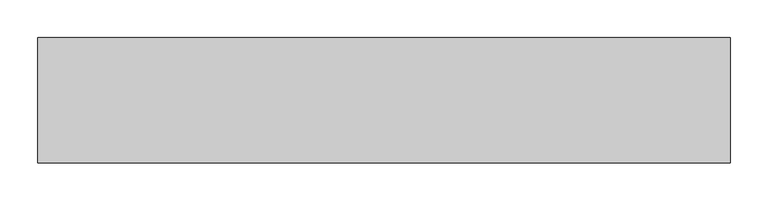
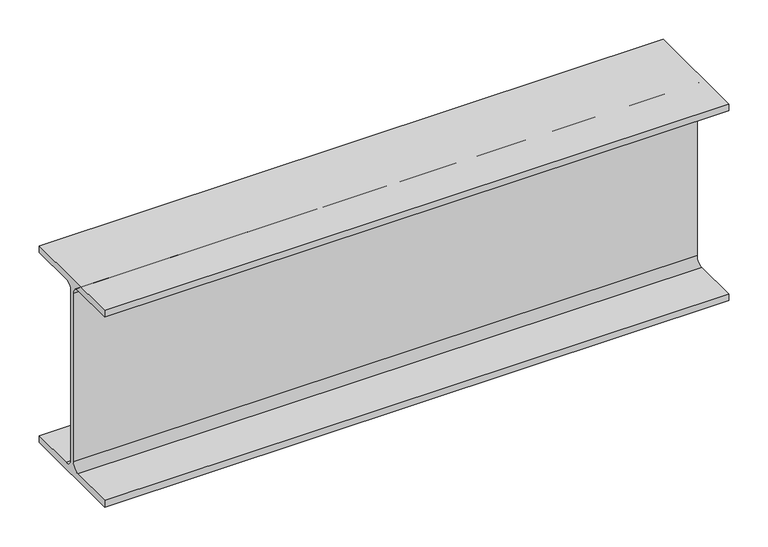
"""IFC4 building model written with IfcOpenShell, lengths in millimetres: beam geometry."""

import ifcopenshell
import ifcopenshell.guid

model = None  # the IFC model being written
_history = None  # IfcOwnerHistory: only IFC2X3 demands one
_inside = {}  # id of a spatial element -> (the spatial element, [elements in it])
_under = {}  # id of a project, library or spatial element -> (it, [spatial elements below it])
_declared = {}  # id of a project -> (the project, [libraries it declares])
_typed = {}  # id of a type object -> (the type object, [elements of that type])
_made_of = {}  # id of a material, layer set ... -> (it, [elements and type objects made of it])


def new_model(schema):
    """Start an empty IFC model of exactly this schema.

    Asked for "IFC4X3", IfcOpenShell would pick the latest addendum, in which some entities
    have other attributes; the version numbers below select the first issue.
    IFC2X3 requires an IfcOwnerHistory on every rooted entity: one is made here for all.
    """
    global model, _history
    if schema == "IFC4X3":
        model = ifcopenshell.file(schema_version=(4, 3, 0, 0))
    else:
        model = ifcopenshell.file(schema=schema)
    _inside.clear()
    _under.clear()
    _declared.clear()
    _typed.clear()
    _made_of.clear()
    _history = None
    if model.schema == "IFC2X3":
        org = make("IfcOrganization", Name="unknown")
        user = make(
            "IfcPersonAndOrganization",
            ThePerson=make("IfcPerson", FamilyName="unknown"),
            TheOrganization=org,
        )
        app = make(
            "IfcApplication",
            ApplicationDeveloper=org,
            Version="unknown",
            ApplicationFullName="unknown",
            ApplicationIdentifier="unknown",
        )
        _history = make(
            "IfcOwnerHistory",
            OwningUser=user,
            OwningApplication=app,
            ChangeAction="ADDED",
            CreationDate=0,
        )
    return model


def make(cls, **values):
    """One entity of the class cls with the attributes given. An attribute that is None is left unset."""
    return model.create_entity(
        cls, **{name: value for name, value in values.items() if value is not None}
    )


def rooted(cls, **values):
    """An entity with a GlobalId (a new one), such as an element, a storey or a relation."""
    return make(cls, GlobalId=ifcopenshell.guid.new(), OwnerHistory=_history, **values)


def si_unit(unit_type, name, prefix=None):
    """IfcSIUnit, for example si_unit("LENGTHUNIT", "METRE", prefix="MILLI")."""
    return make("IfcSIUnit", UnitType=unit_type, Prefix=prefix, Name=name)


def assignment(units):
    """IfcUnitAssignment: the units of a project."""
    return None if units is None else make("IfcUnitAssignment", Units=units)


def point(xyz):
    """IfcCartesianPoint."""
    return None if xyz is None else make("IfcCartesianPoint", Coordinates=xyz)


def direction(xyz):
    """IfcDirection."""
    return None if xyz is None else make("IfcDirection", DirectionRatios=xyz)


def frame(location, z_axis=None, x_axis=None):
    """IfcAxis2Placement3D, a coordinate frame: its origin and axes. An axis left out is left unset."""
    return make(
        "IfcAxis2Placement3D",
        Location=point(location),
        Axis=direction(z_axis),
        RefDirection=direction(x_axis),
    )


def frame_2d(location, x_axis=None):
    """IfcAxis2Placement2D, a coordinate frame in the plane: its origin and x axis."""
    return make(
        "IfcAxis2Placement2D", Location=point(location), RefDirection=direction(x_axis)
    )


def origin():
    """The frame at (0, 0, 0) with its axes left unset."""
    return frame((0.0, 0.0, 0.0))


def place(relative_to, where):
    """IfcLocalPlacement: puts the frame where relative to a parent placement (None: the world)."""
    return make(
        "IfcLocalPlacement", PlacementRelTo=relative_to, RelativePlacement=where
    )


def context(
    kind, dimensions, precision=None, world=None, true_north=None, identifier=None
):
    """IfcGeometricRepresentationContext, for example the 3D "Model" context."""
    return make(
        "IfcGeometricRepresentationContext",
        ContextIdentifier=identifier,
        ContextType=kind,
        CoordinateSpaceDimension=dimensions,
        Precision=precision,
        WorldCoordinateSystem=world,
        TrueNorth=true_north,
    )


def project(units=None, contexts=None):
    """IfcProject with its units and contexts."""
    return rooted(
        "IfcProject",
        Name="project",
        RepresentationContexts=contexts,
        UnitsInContext=assignment(units),
    )


def spatial(cls, under=None, at=None, **own):
    """A site, building, storey or space (cls), placed at a placement, below another one or the project."""
    s = rooted(cls, ObjectPlacement=at, **own)
    if under is not None:
        _under.setdefault(under.id(), (under, []))[1].append(s)
    return s


def polyline(points):
    """IfcPolyline through the points."""
    return make("IfcPolyline", Points=[point(p) for p in points])


def circle_curve(where, radius):
    """IfcCircle in the frame where."""
    return make("IfcCircle", Position=where, Radius=radius)


def trimmed(basis, trim1, trim2, sense, master):
    """IfcTrimmedCurve: the piece of a basis curve between two trims."""
    return make(
        "IfcTrimmedCurve",
        BasisCurve=basis,
        Trim1=trim1,
        Trim2=trim2,
        SenseAgreement=sense,
        MasterRepresentation=master,
    )


def segment(curve, same_sense, transition):
    """IfcCompositeCurveSegment."""
    return make(
        "IfcCompositeCurveSegment",
        Transition=transition,
        SameSense=same_sense,
        ParentCurve=curve,
    )


def composite_curve(segments, self_intersect=None):
    """IfcCompositeCurve: segments joined end to end."""
    return make("IfcCompositeCurve", Segments=segments, SelfIntersect=self_intersect)


def outline(outer, holes=None, kind="AREA"):
    """IfcArbitraryClosedProfileDef: a profile drawn as a closed curve; with holes, ...WithVoids."""
    if holes is None:
        return make("IfcArbitraryClosedProfileDef", ProfileType=kind, OuterCurve=outer)
    return make(
        "IfcArbitraryProfileDefWithVoids",
        ProfileType=kind,
        OuterCurve=outer,
        InnerCurves=holes,
    )


def extrude(swept, where, along, depth):
    """IfcExtrudedAreaSolid: the profile swept, set in the frame where, extruded along a direction by depth."""
    return make(
        "IfcExtrudedAreaSolid",
        SweptArea=swept,
        Position=where,
        ExtrudedDirection=direction(along),
        Depth=depth,
    )


def shape(context_of_items, identifier, shape_type, items):
    """IfcShapeRepresentation: the items that make up one representation, for example the "Body"."""
    return make(
        "IfcShapeRepresentation",
        ContextOfItems=context_of_items,
        RepresentationIdentifier=identifier,
        RepresentationType=shape_type,
        Items=items,
    )


def source(mapping_origin, context_of_items, identifier, shape_type, items):
    """IfcRepresentationMap: a shape defined once, which mapped items show again and again."""
    return make(
        "IfcRepresentationMap",
        MappingOrigin=mapping_origin,
        MappedRepresentation=shape(context_of_items, identifier, shape_type, items),
    )


def transform(
    local_origin,
    x_axis=None,
    y_axis=None,
    z_axis=None,
    scale=None,
    scale2=None,
    scale3=None,
    uniform=True,
):
    """IfcCartesianTransformationOperator3D, or its non-uniform kind. x_axis, y_axis, z_axis: its Axis1, 2, 3."""
    if uniform:
        return make(
            "IfcCartesianTransformationOperator3D",
            Axis1=direction(x_axis),
            Axis2=direction(y_axis),
            LocalOrigin=point(local_origin),
            Scale=scale,
            Axis3=direction(z_axis),
        )
    return make(
        "IfcCartesianTransformationOperator3DnonUniform",
        Axis1=direction(x_axis),
        Axis2=direction(y_axis),
        LocalOrigin=point(local_origin),
        Scale=scale,
        Axis3=direction(z_axis),
        Scale2=scale2,
        Scale3=scale3,
    )


def mapped(mapping_source, mapping_target):
    """IfcMappedItem: shows the shape of a source again, moved by a transform."""
    return make(
        "IfcMappedItem", MappingSource=mapping_source, MappingTarget=mapping_target
    )


def made_of(thing, what):
    """Note that an element or type object is made of a material, layer set ...; save() writes the relation."""
    if what is not None:
        _made_of.setdefault(what.id(), (what, []))[1].append(thing)
    return thing


def element(
    cls,
    number,
    at=None,
    inside=None,
    cuts=None,
    type_object=None,
    material=None,
    context=None,
    identifier="Body",
    shape_type=None,
    held_by="IfcProductDefinitionShape",
    body=None,
    shapes=None,
    **own,
):
    """One element of the class cls, such as IfcWall. Its Tag is "e" and its number.

    at: its placement. inside: the storey or other place that contains it. cuts: it is an
    opening in that element (IfcRelVoidsElement). A single representation is given by context,
    identifier, shape_type and body (its items); several are given by shapes. held_by: the class
    of the entity that holds the representations. save() writes the other relations.
    """
    e = rooted(cls, Tag="e%d" % number, ObjectPlacement=at, **own)
    if body is not None:
        shapes = [shape(context, identifier, shape_type, body)]
    if shapes is not None:
        e.Representation = make(held_by, Representations=shapes)
    if inside is not None:
        _inside.setdefault(inside.id(), (inside, []))[1].append(e)
    if cuts is not None:
        rooted(
            "IfcRelVoidsElement", RelatingBuildingElement=cuts, RelatedOpeningElement=e
        )
    if type_object is not None:
        _typed.setdefault(type_object.id(), (type_object, []))[1].append(e)
    return made_of(e, material)


def aggregate(whole, parts):
    """IfcRelAggregates: a whole, such as a stair, and the parts it consists of."""
    return rooted("IfcRelAggregates", RelatingObject=whole, RelatedObjects=parts)


def save(model, path):
    """Write the relations noted so far, then the file.

    IfcRelAggregates (storeys below a building ...), IfcRelContainedInSpatialStructure (elements
    in a storey), IfcRelDefinesByType, IfcRelAssociatesMaterial and IfcRelDeclares: one each for
    every whole, place, type object, material and project.
    """
    for whole, parts in _under.values():
        aggregate(whole, parts)
    for where, things in _inside.values():
        rooted(
            "IfcRelContainedInSpatialStructure",
            RelatedElements=things,
            RelatingStructure=where,
        )
    for kind, things in _typed.values():
        rooted("IfcRelDefinesByType", RelatedObjects=things, RelatingType=kind)
    for what, things in _made_of.values():
        rooted("IfcRelAssociatesMaterial", RelatedObjects=things, RelatingMaterial=what)
    for by, libraries in _declared.values():
        rooted("IfcRelDeclares", RelatingContext=by, RelatedDefinitions=libraries)
    model.write(path)


def beam_cd3f95ca(model_context):
    return source(origin(), model_context, "Body", "SweptSolid", [
        extrude(outline(composite_curve([segment(polyline([(-82.5, -141.8), (-14.45, -141.8)]), True, "CONTINUOUS"), segment(trimmed(circle_curve(frame_2d((-14.45, -130.4)), 11.4), [point((-14.45, -141.8))], [point((-3.05, -130.4))], True, "CARTESIAN"), True, "CONTINUOUS"), segment(polyline([(-3.05, -130.4), (-3.05, 130.4)]), True, "CONTINUOUS"), segment(trimmed(circle_curve(frame_2d((-14.45, 130.4)), 11.4), [point((-3.05, 130.4))], [point((-14.45, 141.8))], True, "CARTESIAN"), True, "CONTINUOUS"), segment(polyline([(-14.45, 141.8), (-82.5, 141.8), (-82.5, 152.0), (82.5, 152.0), (82.5, 141.8), (14.45, 141.8)]), True, "CONTINUOUS"), segment(trimmed(circle_curve(frame_2d((14.45, 130.4)), 11.4), [point((14.45, 141.8))], [point((3.05, 130.4))], True, "CARTESIAN"), True, "CONTINUOUS"), segment(polyline([(3.05, 130.4), (3.05, -130.4)]), True, "CONTINUOUS"), segment(trimmed(circle_curve(frame_2d((14.45, -130.4)), 11.4), [point((3.05, -130.4))], [point((14.45, -141.8))], True, "CARTESIAN"), True, "CONTINUOUS"), segment(polyline([(14.45, -141.8), (82.5, -141.8), (82.5, -152.0), (-82.5, -152.0), (-82.5, -141.8)]), True, "CONTINUOUS")], self_intersect=False)), frame((-446.5, 0.0, 0.0), z_axis=(1.0, 0.0, 0.0), x_axis=(0.0, 1.0, 0.0)), (0.0, 0.0, 1.0), 912.0),
    ])


if __name__ == "__main__":
    model = new_model("IFC4")
    model_context = context("Model", 3, world=origin())
    ifc_project = project(units=[si_unit("LENGTHUNIT", "METRE", prefix="MILLI")], contexts=[model_context])
    site = spatial("IfcSite", under=ifc_project)
    building = spatial("IfcBuilding", under=site)
    placement = place(None, origin())
    beam_shape = beam_cd3f95ca(model_context)
    element("IfcBeam", 1, at=placement, inside=building, context=model_context, shape_type="MappedRepresentation", body=[
        mapped(beam_shape, transform((0.0, 0.0, 0.0), x_axis=(1.0, 0.0, 0.0), y_axis=(0.0, 1.0, 0.0), z_axis=(0.0, 0.0, 1.0))),
    ])
    save(model, "model.ifc")
